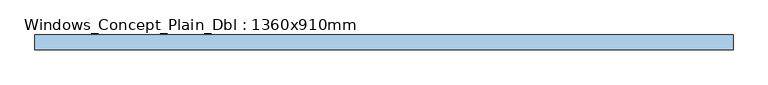
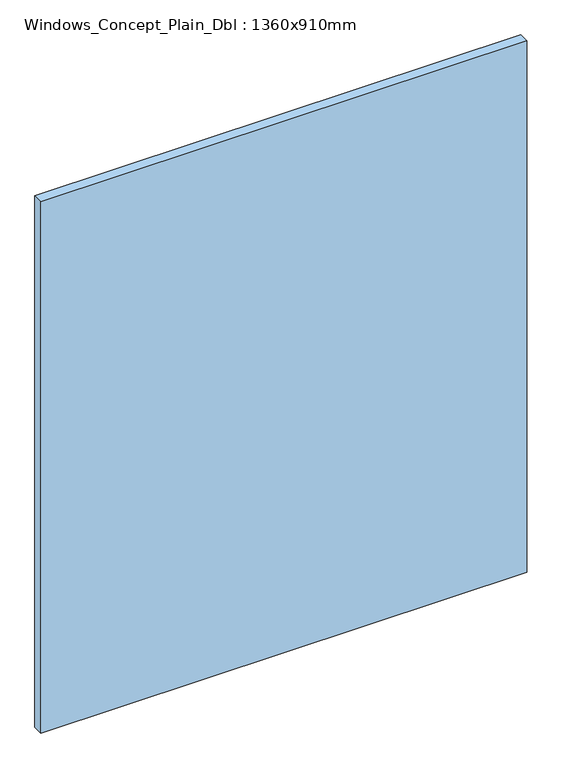
"""IFC4 building model written with IfcOpenShell, lengths in millimetres: window geometry, Windows_Concept_Plain_Dbl : 1360x910mm."""

from ifc_helpers import new_model, si_unit, frame, origin, place, context, project, spatial, polyline, outline, extrude, source, transform, mapped, element, save


def windows_concept_plain_dbl_1360x910mm_cbaa8acb(model_context):
    return source(origin(), model_context, "Body", "SweptSolid", [
        extrude(outline(polyline([(395.0, -72.4565678), (395.0, -96.4565678), (-738.7240836, -96.4565678), (-738.7240836, -72.4565678), (395.0, -72.4565678)])), frame((0.0, 0.0, 799.938119), z_axis=(0.0, 0.0, 1.0), x_axis=(1.0, 0.0, 0.0)), (0.0, 0.0, 1.0), 1310.4634799),
    ])


if __name__ == "__main__":
    model = new_model("IFC4")
    model_context = context("Model", 3, world=origin())
    ifc_project = project(units=[si_unit("LENGTHUNIT", "METRE", prefix="MILLI")], contexts=[model_context])
    site = spatial("IfcSite", under=ifc_project)
    building = spatial("IfcBuilding", under=site)
    placement = place(None, origin())
    windows_concept_plain_dbl_1360x910mm_shape = windows_concept_plain_dbl_1360x910mm_cbaa8acb(model_context)
    element("IfcWindow", 1, ObjectType="Windows_Concept_Plain_Dbl : 1360x910mm", at=placement, inside=building, context=model_context, shape_type="MappedRepresentation", body=[
        mapped(windows_concept_plain_dbl_1360x910mm_shape, transform((0.0, 0.0, 0.0), x_axis=(1.0, 0.0, 0.0), y_axis=(0.0, 1.0, 0.0), z_axis=(0.0, 0.0, 1.0))),
    ])
    save(model, "model.ifc")
